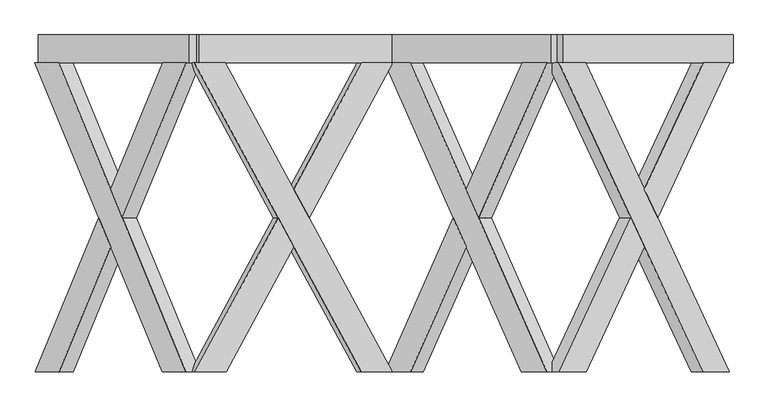
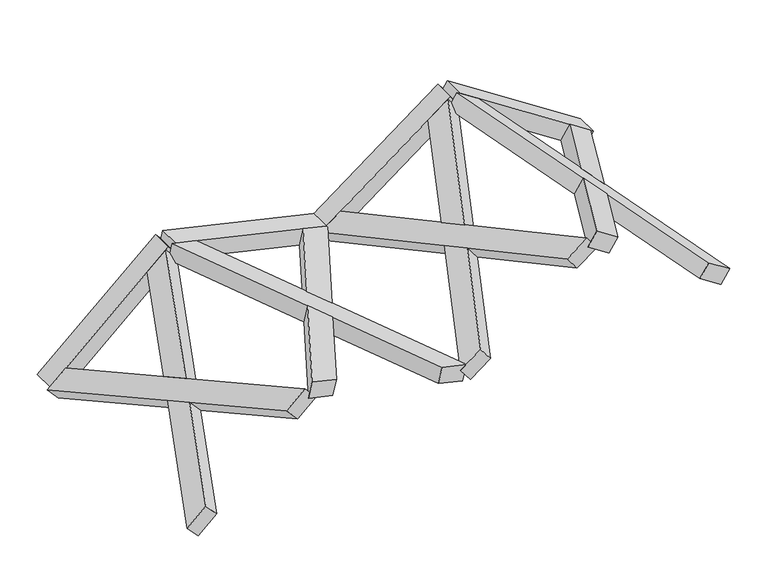
"""IFC4 building model written with IfcOpenShell, lengths in millimetres: proxy geometry."""

import ifcopenshell
import ifcopenshell.guid

model = None  # the IFC model being written
_history = None  # IfcOwnerHistory: only IFC2X3 demands one
_inside = {}  # id of a spatial element -> (the spatial element, [elements in it])
_under = {}  # id of a project, library or spatial element -> (it, [spatial elements below it])
_declared = {}  # id of a project -> (the project, [libraries it declares])
_typed = {}  # id of a type object -> (the type object, [elements of that type])
_made_of = {}  # id of a material, layer set ... -> (it, [elements and type objects made of it])


def new_model(schema):
    """Start an empty IFC model of exactly this schema.

    Asked for "IFC4X3", IfcOpenShell would pick the latest addendum, in which some entities
    have other attributes; the version numbers below select the first issue.
    IFC2X3 requires an IfcOwnerHistory on every rooted entity: one is made here for all.
    """
    global model, _history
    if schema == "IFC4X3":
        model = ifcopenshell.file(schema_version=(4, 3, 0, 0))
    else:
        model = ifcopenshell.file(schema=schema)
    _inside.clear()
    _under.clear()
    _declared.clear()
    _typed.clear()
    _made_of.clear()
    _history = None
    if model.schema == "IFC2X3":
        org = make("IfcOrganization", Name="unknown")
        user = make(
            "IfcPersonAndOrganization",
            ThePerson=make("IfcPerson", FamilyName="unknown"),
            TheOrganization=org,
        )
        app = make(
            "IfcApplication",
            ApplicationDeveloper=org,
            Version="unknown",
            ApplicationFullName="unknown",
            ApplicationIdentifier="unknown",
        )
        _history = make(
            "IfcOwnerHistory",
            OwningUser=user,
            OwningApplication=app,
            ChangeAction="ADDED",
            CreationDate=0,
        )
    return model


def make(cls, **values):
    """One entity of the class cls with the attributes given. An attribute that is None is left unset."""
    return model.create_entity(
        cls, **{name: value for name, value in values.items() if value is not None}
    )


def rooted(cls, **values):
    """An entity with a GlobalId (a new one), such as an element, a storey or a relation."""
    return make(cls, GlobalId=ifcopenshell.guid.new(), OwnerHistory=_history, **values)


def si_unit(unit_type, name, prefix=None):
    """IfcSIUnit, for example si_unit("LENGTHUNIT", "METRE", prefix="MILLI")."""
    return make("IfcSIUnit", UnitType=unit_type, Prefix=prefix, Name=name)


def assignment(units):
    """IfcUnitAssignment: the units of a project."""
    return None if units is None else make("IfcUnitAssignment", Units=units)


def point(xyz):
    """IfcCartesianPoint."""
    return None if xyz is None else make("IfcCartesianPoint", Coordinates=xyz)


def direction(xyz):
    """IfcDirection."""
    return None if xyz is None else make("IfcDirection", DirectionRatios=xyz)


def frame(location, z_axis=None, x_axis=None):
    """IfcAxis2Placement3D, a coordinate frame: its origin and axes. An axis left out is left unset."""
    return make(
        "IfcAxis2Placement3D",
        Location=point(location),
        Axis=direction(z_axis),
        RefDirection=direction(x_axis),
    )


def origin():
    """The frame at (0, 0, 0) with its axes left unset."""
    return frame((0.0, 0.0, 0.0))


def place(relative_to, where):
    """IfcLocalPlacement: puts the frame where relative to a parent placement (None: the world)."""
    return make(
        "IfcLocalPlacement", PlacementRelTo=relative_to, RelativePlacement=where
    )


def context(
    kind, dimensions, precision=None, world=None, true_north=None, identifier=None
):
    """IfcGeometricRepresentationContext, for example the 3D "Model" context."""
    return make(
        "IfcGeometricRepresentationContext",
        ContextIdentifier=identifier,
        ContextType=kind,
        CoordinateSpaceDimension=dimensions,
        Precision=precision,
        WorldCoordinateSystem=world,
        TrueNorth=true_north,
    )


def project(units=None, contexts=None):
    """IfcProject with its units and contexts."""
    return rooted(
        "IfcProject",
        Name="project",
        RepresentationContexts=contexts,
        UnitsInContext=assignment(units),
    )


def spatial(cls, under=None, at=None, **own):
    """A site, building, storey or space (cls), placed at a placement, below another one or the project."""
    s = rooted(cls, ObjectPlacement=at, **own)
    if under is not None:
        _under.setdefault(under.id(), (under, []))[1].append(s)
    return s


def polyline(points):
    """IfcPolyline through the points."""
    return make("IfcPolyline", Points=[point(p) for p in points])


def outline(outer, holes=None, kind="AREA"):
    """IfcArbitraryClosedProfileDef: a profile drawn as a closed curve; with holes, ...WithVoids."""
    if holes is None:
        return make("IfcArbitraryClosedProfileDef", ProfileType=kind, OuterCurve=outer)
    return make(
        "IfcArbitraryProfileDefWithVoids",
        ProfileType=kind,
        OuterCurve=outer,
        InnerCurves=holes,
    )


def extrude(swept, where, along, depth):
    """IfcExtrudedAreaSolid: the profile swept, set in the frame where, extruded along a direction by depth."""
    return make(
        "IfcExtrudedAreaSolid",
        SweptArea=swept,
        Position=where,
        ExtrudedDirection=direction(along),
        Depth=depth,
    )


def faces_of(points, faces, orient=None, outer=None):
    """IfcFace entities. A face is a list of loops; a loop is a list of indices into points, from 0.

    orient and outer hold one flag for each loop. By default every Orientation is true, the
    first loop of a face is its IfcFaceOuterBound and the others are IfcFaceBound.
    """
    made = []
    for i, loops in enumerate(faces):
        bounds = []
        for j, loop in enumerate(loops):
            is_outer = j == 0 if outer is None else outer[i][j]
            bounds.append(
                make(
                    "IfcFaceOuterBound" if is_outer else "IfcFaceBound",
                    Bound=make("IfcPolyLoop", Polygon=[points[k] for k in loop]),
                    Orientation=True if orient is None else orient[i][j],
                )
            )
        made.append(make("IfcFace", Bounds=bounds))
    return made


def faceted_brep(points, faces, orient=None, outer=None, voids=None):
    """IfcFacetedBrep: a solid bounded by flat faces; with voids (closed shells), ...WithVoids."""
    shared = [point(p) for p in points]
    hull = make("IfcClosedShell", CfsFaces=faces_of(shared, faces, orient, outer))
    if voids is None:
        return make("IfcFacetedBrep", Outer=hull)
    return make(
        "IfcFacetedBrepWithVoids",
        Outer=hull,
        Voids=[
            make(cls, CfsFaces=faces_of(shared, fs, o, b)) for cls, fs, o, b in voids
        ],
    )


def shape(context_of_items, identifier, shape_type, items):
    """IfcShapeRepresentation: the items that make up one representation, for example the "Body"."""
    return make(
        "IfcShapeRepresentation",
        ContextOfItems=context_of_items,
        RepresentationIdentifier=identifier,
        RepresentationType=shape_type,
        Items=items,
    )


def source(mapping_origin, context_of_items, identifier, shape_type, items):
    """IfcRepresentationMap: a shape defined once, which mapped items show again and again."""
    return make(
        "IfcRepresentationMap",
        MappingOrigin=mapping_origin,
        MappedRepresentation=shape(context_of_items, identifier, shape_type, items),
    )


def transform(
    local_origin,
    x_axis=None,
    y_axis=None,
    z_axis=None,
    scale=None,
    scale2=None,
    scale3=None,
    uniform=True,
):
    """IfcCartesianTransformationOperator3D, or its non-uniform kind. x_axis, y_axis, z_axis: its Axis1, 2, 3."""
    if uniform:
        return make(
            "IfcCartesianTransformationOperator3D",
            Axis1=direction(x_axis),
            Axis2=direction(y_axis),
            LocalOrigin=point(local_origin),
            Scale=scale,
            Axis3=direction(z_axis),
        )
    return make(
        "IfcCartesianTransformationOperator3DnonUniform",
        Axis1=direction(x_axis),
        Axis2=direction(y_axis),
        LocalOrigin=point(local_origin),
        Scale=scale,
        Axis3=direction(z_axis),
        Scale2=scale2,
        Scale3=scale3,
    )


def mapped(mapping_source, mapping_target):
    """IfcMappedItem: shows the shape of a source again, moved by a transform."""
    return make(
        "IfcMappedItem", MappingSource=mapping_source, MappingTarget=mapping_target
    )


def made_of(thing, what):
    """Note that an element or type object is made of a material, layer set ...; save() writes the relation."""
    if what is not None:
        _made_of.setdefault(what.id(), (what, []))[1].append(thing)
    return thing


def element(
    cls,
    number,
    at=None,
    inside=None,
    cuts=None,
    type_object=None,
    material=None,
    context=None,
    identifier="Body",
    shape_type=None,
    held_by="IfcProductDefinitionShape",
    body=None,
    shapes=None,
    **own,
):
    """One element of the class cls, such as IfcWall. Its Tag is "e" and its number.

    at: its placement. inside: the storey or other place that contains it. cuts: it is an
    opening in that element (IfcRelVoidsElement). A single representation is given by context,
    identifier, shape_type and body (its items); several are given by shapes. held_by: the class
    of the entity that holds the representations. save() writes the other relations.
    """
    e = rooted(cls, Tag="e%d" % number, ObjectPlacement=at, **own)
    if body is not None:
        shapes = [shape(context, identifier, shape_type, body)]
    if shapes is not None:
        e.Representation = make(held_by, Representations=shapes)
    if inside is not None:
        _inside.setdefault(inside.id(), (inside, []))[1].append(e)
    if cuts is not None:
        rooted(
            "IfcRelVoidsElement", RelatingBuildingElement=cuts, RelatedOpeningElement=e
        )
    if type_object is not None:
        _typed.setdefault(type_object.id(), (type_object, []))[1].append(e)
    return made_of(e, material)


def aggregate(whole, parts):
    """IfcRelAggregates: a whole, such as a stair, and the parts it consists of."""
    return rooted("IfcRelAggregates", RelatingObject=whole, RelatedObjects=parts)


def save(model, path):
    """Write the relations noted so far, then the file.

    IfcRelAggregates (storeys below a building ...), IfcRelContainedInSpatialStructure (elements
    in a storey), IfcRelDefinesByType, IfcRelAssociatesMaterial and IfcRelDeclares: one each for
    every whole, place, type object, material and project.
    """
    for whole, parts in _under.values():
        aggregate(whole, parts)
    for where, things in _inside.values():
        rooted(
            "IfcRelContainedInSpatialStructure",
            RelatedElements=things,
            RelatingStructure=where,
        )
    for kind, things in _typed.values():
        rooted("IfcRelDefinesByType", RelatedObjects=things, RelatingType=kind)
    for what, things in _made_of.values():
        rooted("IfcRelAssociatesMaterial", RelatedObjects=things, RelatingMaterial=what)
    for by, libraries in _declared.values():
        rooted("IfcRelDeclares", RelatingContext=by, RelatedDefinitions=libraries)
    model.write(path)


def generic_models_09f3716e(model_context):
    return source(origin(), model_context, "Body", "SolidModel", [
        faceted_brep([(4833.6253724, -100.0, 684.3822896), (3801.7328145, -2319.6837757, 1354.5011521), (3609.9533334, -2319.6837757, 1479.0442034), (4641.8458913, -100.0, 808.9253409), (3691.6491886, -2319.6837757, 1604.8447886), (3883.4286697, -2319.6837757, 1480.3017373), (4301.4969096, -1420.3854116, 1208.8050478), (4205.6071691, -1214.1188776, 1271.0765735), (4915.3212277, -100.0, 810.1828748), (4723.5417466, -100.0, 934.7259261), (4301.4969096, -1007.8523437, 1208.8050478), (4397.3866502, -1214.1188776, 1146.5335222), (4164.7592415, -1214.1188776, 1208.1762809), (4260.648982, -1007.8523437, 1145.9047552), (4356.5387226, -1214.1188776, 1083.6332296), (4260.648982, -1420.3854116, 1145.9047552)], [[[0, 1, 2, 3]], [[4, 5, 6, 7]], [[8, 9, 10, 11]], [[0, 3, 9, 8]], [[3, 2, 4, 7, 12, 13, 10, 9]], [[2, 1, 5, 4]], [[1, 0, 8, 11, 14, 15, 6, 5]], [[12, 15, 14, 13]], [[13, 14, 11, 10]], [[15, 12, 7, 6]]]),
        faceted_brep([(3605.9767364, -100.0, 1481.6266356), (3797.7562175, -100.0, 1357.0835844), (4219.8010544, -1007.8523437, 1083.0044626), (4123.9113138, -1214.1188776, 1145.2759883), (4829.6487754, -2319.6837757, 686.9647219), (4637.8692943, -2319.6837757, 811.5077731), (4219.8010544, -1420.3854116, 1083.0044626), (4315.6907949, -1214.1188776, 1020.732937), (3687.6725916, -100.0, 1607.4272208), (4719.5651496, -2319.6837757, 937.3083583), (4911.3446307, -2319.6837757, 812.7653071), (3879.4520727, -100.0, 1482.8841696), (4356.5387226, -1214.1188776, 1083.6332296), (4260.648982, -1007.8523437, 1145.9047552), (4164.7592415, -1214.1188776, 1208.1762809), (4260.648982, -1420.3854116, 1145.9047552)], [[[0, 1, 2, 3]], [[4, 5, 6, 7]], [[8, 9, 10, 11]], [[1, 0, 8, 11]], [[11, 10, 4, 7, 12, 13, 2, 1]], [[5, 4, 10, 9]], [[9, 8, 0, 3, 14, 15, 6, 5]], [[12, 15, 14, 13]], [[13, 14, 3, 2]], [[15, 12, 7, 6]]]),
        extrude(outline(polyline([(0.0, -200.0), (0.0, 0.0), (1460.0, 0.0), (1460.0, -200.0), (0.0, -200.0)])), frame((4857.190686, -100.0, 669.078796), z_axis=(0.544639035015029, 0.0, 0.8386705679454229), x_axis=(-0.8386705679454229, 0.0, 0.544639035015029)), (0.0, 0.0, 1.0), 150.0),
        faceted_brep([(3696.2753192, -100.0, 1450.3443683), (2713.6415285, -2319.6837757, 709.8766955), (2531.0168967, -2319.6837757, 572.2591645), (3513.6506874, -100.0, 1312.7268373), (2440.7446432, -2319.6837757, 692.054491), (2623.3692751, -2319.6837757, 829.672022), (3021.4804701, -1420.3854116, 1129.6703254), (2930.1681542, -1214.1188776, 1060.8615599), (3606.0030658, -100.0, 1570.1396948), (3423.3784339, -100.0, 1432.5221638), (3021.4804701, -1007.8523437, 1129.6703254), (3112.792786, -1214.1188776, 1198.4790909), (2975.3042809, -1214.1188776, 1000.9638967), (3066.6165968, -1007.8523437, 1069.7726621), (3157.9289127, -1214.1188776, 1138.5814276), (3066.6165968, -1420.3854116, 1069.7726621)], [[[0, 1, 2, 3]], [[4, 5, 6, 7]], [[8, 9, 10, 11]], [[0, 3, 9, 8]], [[3, 2, 4, 7, 12, 13, 10, 9]], [[2, 1, 5, 4]], [[1, 0, 8, 11, 14, 15, 6, 5]], [[12, 15, 14, 13]], [[13, 14, 11, 10]], [[15, 12, 7, 6]]]),
        faceted_brep([(2527.2301279, -100.0, 569.4056295), (2709.8547597, -100.0, 707.0231605), (3111.7527236, -1007.8523437, 1009.8749989), (3020.4404076, -1214.1188776, 941.0662334), (3692.4885504, -2319.6837757, 1447.4908333), (3509.8639186, -2319.6837757, 1309.8733023), (3111.7527236, -1420.3854116, 1009.8749989), (3203.0650395, -1214.1188776, 1078.6837644), (2436.9578744, -100.0, 689.200956), (3419.5916651, -2319.6837757, 1429.6686288), (3602.2162969, -2319.6837757, 1567.2861598), (2619.5825062, -100.0, 826.818487), (3157.9289127, -1214.1188776, 1138.5814276), (3066.6165968, -1007.8523437, 1069.7726621), (2975.3042809, -1214.1188776, 1000.9638967), (3066.6165968, -1420.3854116, 1069.7726621)], [[[0, 1, 2, 3]], [[4, 5, 6, 7]], [[8, 9, 10, 11]], [[1, 0, 8, 11]], [[11, 10, 4, 7, 12, 13, 2, 1]], [[5, 4, 10, 9]], [[9, 8, 0, 3, 14, 15, 6, 5]], [[12, 15, 14, 13]], [[13, 14, 3, 2]], [[15, 12, 7, 6]]]),
        extrude(outline(polyline([(0.0, -200.0), (0.0, 0.0), (1460.0, 0.0), (1460.0, -200.0), (0.0, -200.0)])), frame((3718.7157112, -100.0, 1467.2544165), z_axis=(-0.6018150231520458, 0.0, 0.7986355100472948), x_axis=(-0.7986355100472948, 0.0, -0.6018150231520458)), (0.0, 0.0, 1.0), 150.0),
        faceted_brep([(2463.3221563, -100.0, 581.7451592), (1264.4661848, -2319.6837757, 858.5228687), (1041.6561893, -2319.6837757, 909.9626093), (2240.5121609, -100.0, 633.1848998), (1075.3988475, -2319.6837757, 1056.1181191), (1298.2088429, -2319.6837757, 1004.6783784), (1783.9218196, -1420.3854116, 892.5427021), (1672.5168219, -1214.1188776, 918.2625724), (2497.0648145, -100.0, 727.9006689), (2274.254819, -100.0, 779.3404095), (1783.9218196, -1007.8523437, 892.5427021), (1895.3268173, -1214.1188776, 866.8228318), (1655.6454928, -1214.1188776, 845.1848175), (1767.0504905, -1007.8523437, 819.4649472), (1878.4554883, -1214.1188776, 793.7450769), (1767.0504905, -1420.3854116, 819.4649472)], [[[0, 1, 2, 3]], [[4, 5, 6, 7]], [[8, 9, 10, 11]], [[0, 3, 9, 8]], [[3, 2, 4, 7, 12, 13, 10, 9]], [[2, 1, 5, 4]], [[1, 0, 8, 11, 14, 15, 6, 5]], [[12, 15, 14, 13]], [[13, 14, 11, 10]], [[15, 12, 7, 6]]]),
        faceted_brep([(1037.0361666, -100.0, 911.0292256), (1259.8461621, -100.0, 859.589485), (1750.1791615, -1007.8523437, 746.3871924), (1638.7741638, -1214.1188776, 772.1070627), (2458.7021336, -2319.6837757, 582.8117754), (2235.8921382, -2319.6837757, 634.251516), (1750.1791615, -1420.3854116, 746.3871924), (1861.5841592, -1214.1188776, 720.6673221), (1070.7788248, -100.0, 1057.1847353), (2269.6347963, -2319.6837757, 780.4070258), (2492.4447918, -2319.6837757, 728.9672852), (1293.5888202, -100.0, 1005.7449947), (1878.4554883, -1214.1188776, 793.7450769), (1767.0504905, -1007.8523437, 819.4649472), (1655.6454928, -1214.1188776, 845.1848175), (1767.0504905, -1420.3854116, 819.4649472)], [[[0, 1, 2, 3]], [[4, 5, 6, 7]], [[8, 9, 10, 11]], [[1, 0, 8, 11]], [[11, 10, 4, 7, 12, 13, 2, 1]], [[5, 4, 10, 9]], [[9, 8, 0, 3, 14, 15, 6, 5]], [[12, 15, 14, 13]], [[13, 14, 3, 2]], [[15, 12, 7, 6]]]),
        extrude(outline(polyline([(0.0, -200.0), (0.0, 0.0), (1460.0, 0.0), (1460.0, -200.0), (0.0, -200.0)])), frame((2490.7004107, -100.0, 575.4243911), z_axis=(0.22495105434386464, 0.0, 0.9743700647852355), x_axis=(-0.9743700647852355, 0.0, 0.22495105434386464)), (0.0, 0.0, 1.0), 150.0),
        faceted_brep([(1114.295049, -100.0, 902.3933139), (199.9364865, -2319.6837757, 79.1011664), (30.0009547, -2319.6837757, -73.9094738), (944.3595172, -100.0, 749.3826738), (-70.3686363, -2319.6837757, 37.56225), (99.5668956, -2319.6837757, 190.5728902), (470.0165824, -1420.3854116, 524.1272864), (385.0488164, -1214.1188776, 447.6219663), (1013.9254581, -100.0, 1013.8650378), (843.9899262, -100.0, 860.8543976), (470.0165824, -1007.8523437, 524.1272864), (554.9843483, -1214.1188776, 600.6326064), (435.2336119, -1214.1188776, 391.8861044), (520.2013778, -1007.8523437, 468.3914245), (605.1691438, -1214.1188776, 544.8967445), (520.2013778, -1420.3854116, 468.3914245)], [[[0, 1, 2, 3]], [[4, 5, 6, 7]], [[8, 9, 10, 11]], [[0, 3, 9, 8]], [[3, 2, 4, 7, 12, 13, 10, 9]], [[2, 1, 5, 4]], [[1, 0, 8, 11, 14, 15, 6, 5]], [[12, 15, 14, 13]], [[13, 14, 11, 10]], [[15, 12, 7, 6]]]),
        faceted_brep([(26.4772976, -100.0, -77.0821889), (196.4128295, -100.0, 75.9284513), (570.3861733, -1007.8523437, 412.6555625), (485.4184074, -1214.1188776, 336.1502425), (1110.7713919, -2319.6837757, 899.2205989), (940.8358601, -2319.6837757, 746.2099587), (570.3861733, -1420.3854116, 412.6555625), (655.3539392, -1214.1188776, 489.1608826), (-73.8922933, -100.0, 34.389535), (840.4662691, -2319.6837757, 857.6816825), (1010.401801, -2319.6837757, 1010.6923227), (96.0432385, -100.0, 187.4001751), (605.1691438, -1214.1188776, 544.8967445), (520.2013778, -1007.8523437, 468.3914245), (435.2336119, -1214.1188776, 391.8861044), (520.2013778, -1420.3854116, 468.3914245)], [[[0, 1, 2, 3]], [[4, 5, 6, 7]], [[8, 9, 10, 11]], [[1, 0, 8, 11]], [[11, 10, 4, 7, 12, 13, 2, 1]], [[5, 4, 10, 9]], [[9, 8, 0, 3, 14, 15, 6, 5]], [[12, 15, 14, 13]], [[13, 14, 3, 2]], [[15, 12, 7, 6]]]),
        extrude(outline(polyline([(0.0, -200.0), (0.0, 0.0), (1460.0, 0.0), (1460.0, -200.0), (0.0, -200.0)])), frame((1135.1762407, -100.0, 921.1948234), z_axis=(-0.6691306063588577, 0.0, 0.7431448254773948), x_axis=(-0.7431448254773948, 0.0, -0.6691306063588577)), (0.0, 0.0, 1.0), 150.0),
    ])


if __name__ == "__main__":
    model = new_model("IFC4")
    model_context = context("Model", 3, world=origin())
    ifc_project = project(units=[si_unit("LENGTHUNIT", "METRE", prefix="MILLI")], contexts=[model_context])
    site = spatial("IfcSite", under=ifc_project)
    building = spatial("IfcBuilding", under=site)
    placement = place(None, origin())
    generic_models_shape = generic_models_09f3716e(model_context)
    element("IfcBuildingElementProxy", 1, Name="Generic Models", at=placement, inside=building, context=model_context, shape_type="MappedRepresentation", body=[
        mapped(generic_models_shape, transform((0.0, 0.0, 0.0), x_axis=(1.0, 0.0, 0.0), y_axis=(0.0, 1.0, 0.0), z_axis=(0.0, 0.0, 1.0))),
    ])
    save(model, "model.ifc")
